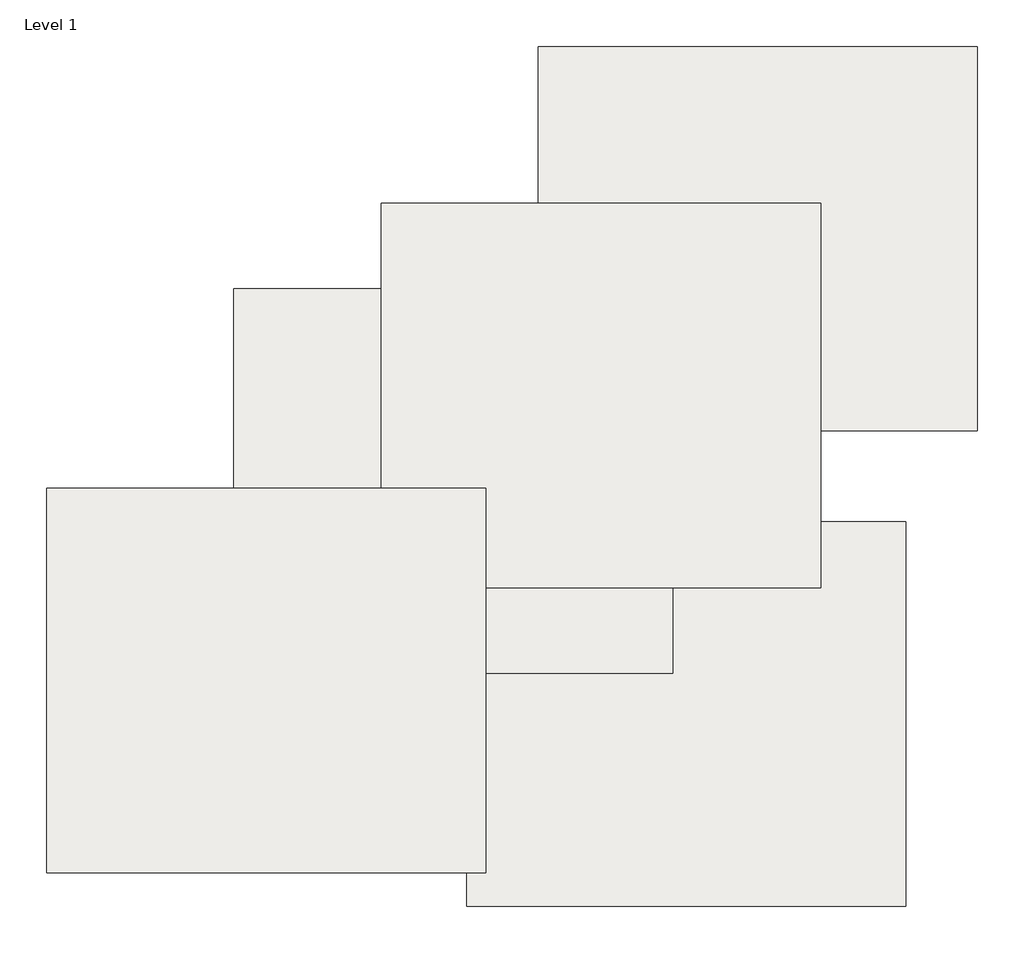
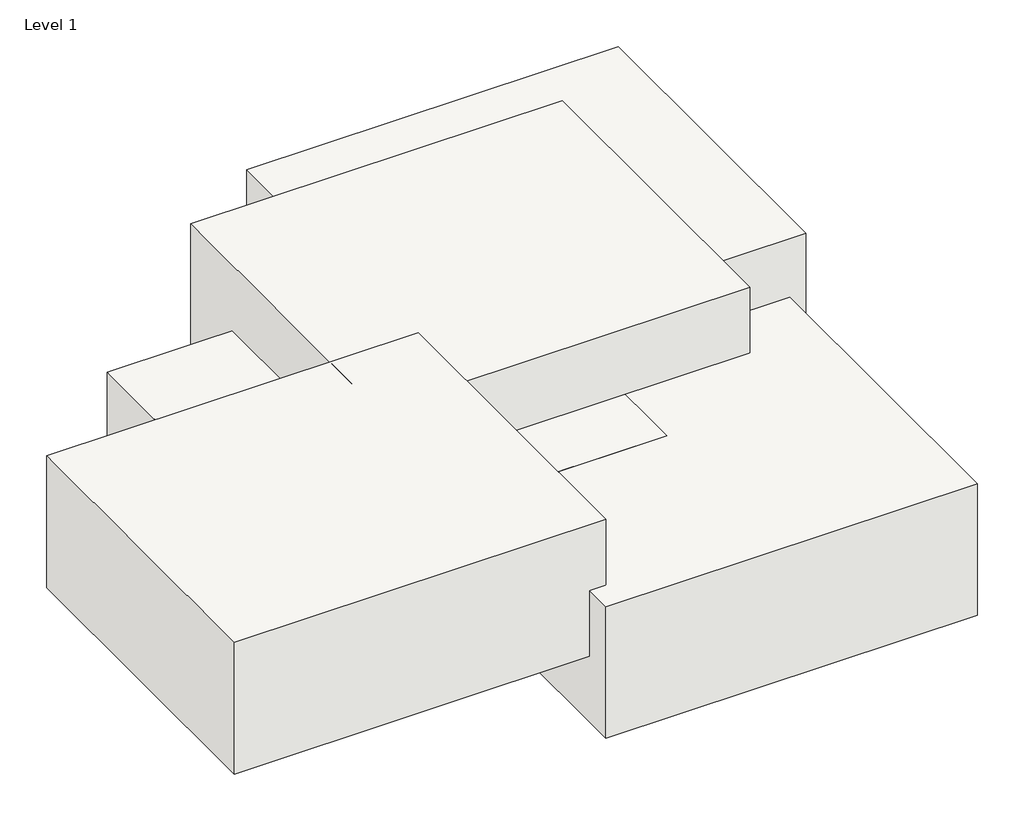
# One storey: 5 slabs.
"""IFC4 building model written with IfcOpenShell, lengths in millimetres."""

from ifc_helpers import new_model, si_unit, frame, origin, place, context, project, spatial, polyline, outline, extrude, element, save

model = new_model("IFC4")

# Units and contexts
model_context = context("Model", 3, world=origin())
ifc_project = project(units=[si_unit("LENGTHUNIT", "METRE", prefix="MILLI")], contexts=[model_context])

# Site, building, storey
site = spatial("IfcSite", under=ifc_project)
building = spatial("IfcBuilding", under=site)
storey = spatial("IfcBuildingStorey", under=building, Name="Level 1", Elevation=0.0)

# Slabs
placement = place(None, origin())
element("IfcSlab", 1, ObjectType="Floor 1", at=placement, inside=storey, context=model_context, shape_type="SweptSolid", body=[
    extrude(outline(polyline([(2132.9177057, 3947.0074813), (2132.9177057, 3247.0074813), (1332.9177057, 3247.0074813), (1332.9177057, 3947.0074813), (2132.9177057, 3947.0074813)])), frame((0.0, 0.0, -150.0), z_axis=(0.0, 0.0, 1.0), x_axis=(1.0, 0.0, 0.0)), (0.0, 0.0, 1.0), 300.0),
])
element("IfcSlab", 2, ObjectType="Floor 1", at=placement, inside=storey, context=model_context, shape_type="SweptSolid", body=[
    extrude(outline(polyline([(2473.4413965, 4310.4738155), (2473.4413965, 3610.4738155), (1673.4413965, 3610.4738155), (1673.4413965, 4310.4738155), (2473.4413965, 4310.4738155)])), frame((0.0, 0.0, -300.0), z_axis=(0.0, 0.0, 1.0), x_axis=(1.0, 0.0, 0.0)), (0.0, 0.0, 1.0), 300.0),
])
element("IfcSlab", 3, ObjectType="Floor 1", at=placement, inside=storey, context=model_context, shape_type="SweptSolid", body=[
    extrude(outline(polyline([(2897.7054652, 3886.2097467), (2897.7054652, 3186.2097467), (2097.7054652, 3186.2097467), (2097.7054652, 3886.2097467), (2897.7054652, 3886.2097467)])), frame((0.0, 0.0, -300.0), z_axis=(0.0, 0.0, 1.0), x_axis=(1.0, 0.0, 0.0)), (0.0, 0.0, 1.0), 300.0),
])
element("IfcSlab", 4, ObjectType="Floor 1", at=placement, inside=storey, context=model_context, shape_type="SweptSolid", body=[
    extrude(outline(polyline([(2742.4140382, 4465.7652425), (2742.4140382, 3765.7652425), (1942.4140382, 3765.7652425), (1942.4140382, 4465.7652425), (2742.4140382, 4465.7652425)])), frame((0.0, 0.0, -150.0), z_axis=(0.0, 0.0, 1.0), x_axis=(1.0, 0.0, 0.0)), (0.0, 0.0, 1.0), 300.0),
])
element("IfcSlab", 5, ObjectType="Floor 1", at=placement, inside=storey, context=model_context, shape_type="SweptSolid", body=[
    extrude(outline(polyline([(3028.0047171, 4751.3559215), (3028.0047171, 4051.3559215), (2228.0047171, 4051.3559215), (2228.0047171, 4751.3559215), (3028.0047171, 4751.3559215)])), frame((0.0, 0.0, -300.0), z_axis=(0.0, 0.0, 1.0), x_axis=(1.0, 0.0, 0.0)), (0.0, 0.0, 1.0), 300.0),
])

save(model, "model.ifc")
